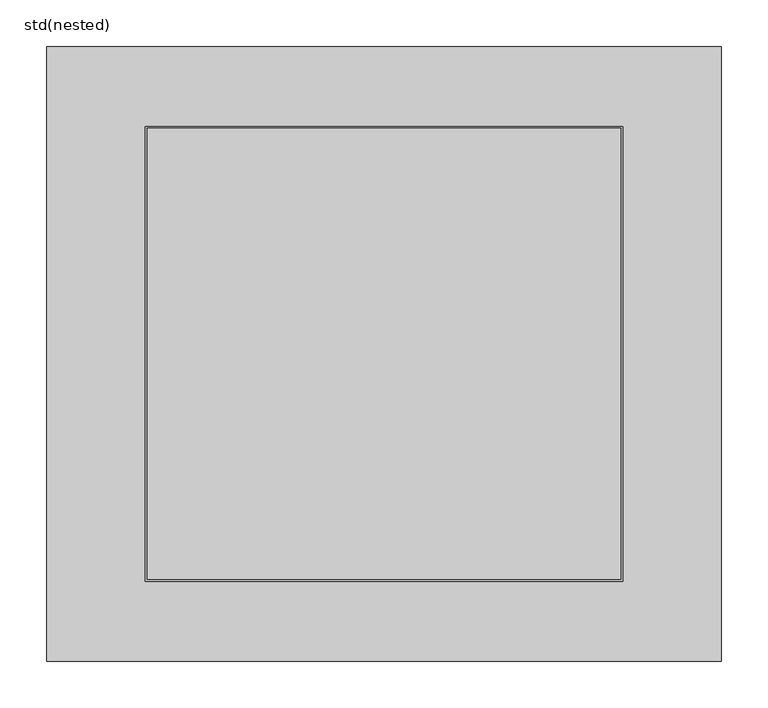
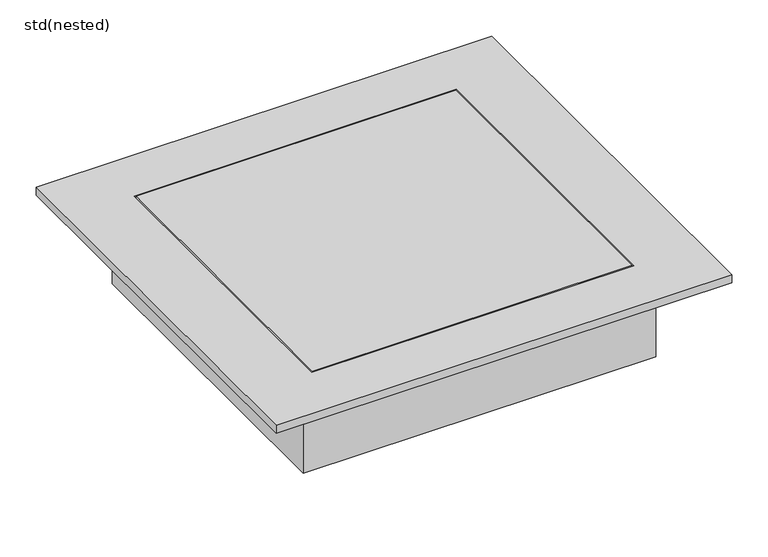
"""IFC4 building model written with IfcOpenShell, lengths in millimetres: sanitary terminal geometry, std(nested)."""

from ifc_helpers import new_model, si_unit, frame, origin, place, context, project, spatial, polyline, circle_curve, outline, extrude, faceted_brep, source, transform, mapped, element, save
from ifc_brep_helpers import plane_surface, cylinder_surface, revolved_surface, advanced_brep


def std_nested_11b5b3ba(model_context):
    return source(origin(), model_context, "Body", "SolidModel", [
        advanced_brep(
        [(273.3618608, 255.7618608, -50.0), (270.4003842, 252.8003842, -144.0), (270.4003842, -252.8003842, -144.0), (273.3618608, -255.7618608, -50.0), (-270.4003842, -252.8003842, -144.0), (-273.3618608, -255.7618608, -50.0), (-270.4003842, 252.8003842, -144.0), (-273.3618608, 255.7618608, -50.0), (280.1, -262.5, -150.0), (-280.1, -262.5, -150.0), (-280.1, 262.5, -150.0), (280.1, 262.5, -150.0), (-175.5, 0.0, -150.0), (175.5, 0.0, -150.0), (-175.5, 0.0, -144.0), (175.5, 0.0, -144.0), (280.1, 262.5, -50.0), (-280.1, 262.5, -50.0), (-280.1, -262.5, -50.0), (280.1, -262.5, -50.0)],
        [
            (0, 1),
            (1, 2),
            (2, 3),
            (3, 0),
            (2, 4),
            (4, 5),
            (5, 3),
            (4, 6),
            (6, 7),
            (7, 5),
            (8, 9),
            (9, 10),
            (10, 11),
            (11, 8),
            (12, 13, circle_curve(frame((0.0, 0.0, -150.0), z_axis=(0.0, 0.0, 1.0), x_axis=(-1.0, 0.0, 0.0)), 175.5)),
            (13, 12, circle_curve(frame((0.0, 0.0, -150.0), z_axis=(0.0, 0.0, 1.0), x_axis=(-1.0, 0.0, 0.0)), 175.5)),
            (1, 6),
            (14, 15, circle_curve(frame((0.0, 0.0, -144.0), z_axis=(0.0, 0.0, -1.0), x_axis=(-1.0, 0.0, 0.0)), 175.5)),
            (15, 14, circle_curve(frame((0.0, 0.0, -144.0), z_axis=(0.0, 0.0, -1.0), x_axis=(-1.0, 0.0, 0.0)), 175.5)),
            (0, 7),
            (16, 17),
            (17, 18),
            (18, 19),
            (19, 16),
            (11, 16),
            (19, 8),
            (18, 9),
            (17, 10),
            (14, 12),
            (13, 15),
        ],
        [
            plane_surface(frame((270.4003842, 252.8003842, -144.0), z_axis=(-0.9995040844087113, 0.0, 0.03148944664969267), x_axis=(0.0, -1.0, 0.0))),
            plane_surface(frame((270.4003842, -252.8003842, -144.0), z_axis=(0.0, 0.9995040844087115, 0.03148944664968624), x_axis=(-1.0, 0.0, 0.0))),
            plane_surface(frame((-270.4003842, -252.8003842, -144.0), z_axis=(0.9995040844087117, 0.0, 0.03148944664967981), x_axis=(0.0, 1.0, 0.0))),
            plane_surface(frame((-280.1, 262.5, -150.0), z_axis=(0.0, 0.0, -1.0), x_axis=(1.0, 0.0, 0.0))),
            plane_surface(frame((-247.2589036, 229.6589036, -144.0), z_axis=(0.0, 0.0, 1.0), x_axis=(1.0, 0.0, 0.0))),
            plane_surface(frame((-270.4003842, 252.8003842, -144.0), z_axis=(0.0, -0.9995040844087115, 0.03148944664968624), x_axis=(1.0, 0.0, 0.0))),
            plane_surface(frame((-273.3618608, 255.7618608, -50.0), z_axis=(0.0, 0.0, 1.0), x_axis=(1.0, 0.0, 0.0))),
            plane_surface(frame((280.1, 262.5, -50.0), z_axis=(1.0, 0.0, 0.0), x_axis=(0.0, -1.0, 0.0))),
            plane_surface(frame((280.1, -262.5, -50.0), z_axis=(0.0, -1.0, 0.0), x_axis=(-1.0, 0.0, 0.0))),
            plane_surface(frame((-280.1, -262.5, -50.0), z_axis=(-1.0, 0.0, 0.0), x_axis=(0.0, 1.0, 0.0))),
            plane_surface(frame((-280.1, 262.5, -50.0), z_axis=(0.0, 1.0, 0.0), x_axis=(1.0, 0.0, 0.0))),
            revolved_surface(polyline([(-175.5, 0.0, -150.0), (-175.5, 0.0, -144.0)]), (0.0, 0.0, -130.0), (0.0, 0.0, -1.0)),
        ],
        [
            (0, [[1, 2, 3, 4]]),
            (1, [[-3, 5, 6, 7]]),
            (2, [[-6, 8, 9, 10]]),
            (3, [[11, 12, 13, 14], [15, 16]]),
            (4, [[-2, 17, -8, -5], [18, 19]]),
            (5, [[-1, 20, -9, -17]]),
            (6, [[21, 22, 23, 24], [-4, -7, -10, -20]]),
            (7, [[-14, 25, -24, 26]]),
            (8, [[-11, -26, -23, 27]]),
            (9, [[-12, -27, -22, 28]]),
            (10, [[-13, -28, -21, -25]]),
            (11, [[-18, 29, -16, 30]]),
            (11, [[-19, -30, -15, -29]]),
        ],
    ),
        advanced_brep(
        [(184.0, 0.0, -150.0), (-184.0, 0.0, -150.0), (-176.0, 0.0, -150.0), (176.0, 0.0, -150.0), (184.0, 0.0, -160.0), (-184.0, 0.0, -160.0), (176.0, 0.0, -160.0), (-176.0, 0.0, -160.0)],
        [
            (0, 1, circle_curve(frame((0.0, 0.0, -150.0), z_axis=(0.0, 0.0, 1.0), x_axis=(-1.0, 0.0, 0.0)), 184.0)),
            (1, 2),
            (2, 3, circle_curve(frame((0.0, 0.0, -150.0), z_axis=(0.0, 0.0, -1.0), x_axis=(-1.0, 0.0, 0.0)), 176.0)),
            (3, 0),
            (1, 0, circle_curve(frame((0.0, 0.0, -150.0), z_axis=(0.0, 0.0, 1.0), x_axis=(-1.0, 0.0, 0.0)), 184.0)),
            (3, 2, circle_curve(frame((0.0, 0.0, -150.0), z_axis=(0.0, 0.0, -1.0), x_axis=(-1.0, 0.0, 0.0)), 176.0)),
            (4, 5, circle_curve(frame((0.0, 0.0, -160.0), z_axis=(0.0, 0.0, 1.0), x_axis=(-1.0, 0.0, 0.0)), 184.0)),
            (5, 1),
            (0, 4),
            (5, 4, circle_curve(frame((0.0, 0.0, -160.0), z_axis=(0.0, 0.0, 1.0), x_axis=(-1.0, 0.0, 0.0)), 184.0)),
            (6, 7, circle_curve(frame((0.0, 0.0, -160.0), z_axis=(0.0, 0.0, 1.0), x_axis=(-1.0, 0.0, 0.0)), 176.0)),
            (7, 5),
            (4, 6),
            (7, 6, circle_curve(frame((0.0, 0.0, -160.0), z_axis=(0.0, 0.0, 1.0), x_axis=(-1.0, 0.0, 0.0)), 176.0)),
            (2, 7),
            (6, 3),
        ],
        [
            plane_surface(frame((0.0, 0.0, -150.0), z_axis=(0.0, 0.0, 1.0), x_axis=(-1.0, 0.0, 0.0))),
            cylinder_surface(frame((0.0, 0.0, -135.0), z_axis=(0.0, 0.0, -1.0), x_axis=(-1.0, 0.0, 0.0)), 184.0),
            plane_surface(frame((0.0, 0.0, -160.0), z_axis=(0.0, 0.0, -1.0), x_axis=(-1.0, 0.0, 0.0))),
            revolved_surface(polyline([(-176.0, 0.0, -160.0), (-176.0, 0.0, -150.0)]), (0.0, 0.0, -135.0), (0.0, 0.0, -1.0)),
        ],
        [
            (0, [[1, 2, 3, 4]]),
            (0, [[5, -4, 6, -2]]),
            (1, [[7, 8, -1, 9]]),
            (1, [[10, -9, -5, -8]]),
            (2, [[11, 12, -7, 13]]),
            (2, [[14, -13, -10, -12]]),
            (3, [[-3, 15, -11, 16]]),
            (3, [[-6, -16, -14, -15]]),
        ],
    ),
        extrude(outline(polyline([(254.0000122, 242.273901), (254.0000122, -242.273901), (-254.0000122, -242.273901), (-254.0000122, 242.273901), (254.0000122, 242.273901)])), frame((0.0, 0.0, -13.5), z_axis=(0.0, 0.0, 1.0), x_axis=(1.0, 0.0, 0.0)), (0.0, 0.0, 1.0), 13.5),
        faceted_brep([(256.0000122, 244.273901, -130.0), (256.0000122, -244.273901, -130.0), (256.0000122, -244.273901, 0.0), (256.0000122, 244.273901, 0.0), (-256.0000122, -244.273901, -130.0), (-256.0000122, -244.273901, 0.0), (-256.0000122, 244.273901, -130.0), (-256.0000122, 244.273901, 0.0), (261.0000122, 249.273901, -130.0), (261.0000122, 249.273901, -13.5), (261.0000122, -249.273901, -13.5), (261.0000122, -249.273901, -130.0), (-261.0000122, -249.273901, -13.5), (-261.0000122, -249.273901, -130.0), (-261.0000122, 249.273901, -13.5), (-261.0000122, 249.273901, -130.0), (362.0, 330.0, 0.0), (-362.0, 330.0, 0.0), (-362.0, -330.0, 0.0), (362.0, -330.0, 0.0), (362.0, 330.0, -13.5), (362.0, -330.0, -13.5), (-362.0, -330.0, -13.5), (-362.0, 330.0, -13.5)], [[[0, 1, 2, 3]], [[2, 1, 4, 5]], [[5, 4, 6, 7]], [[0, 3, 7, 6]], [[8, 9, 10, 11]], [[11, 10, 12, 13]], [[13, 12, 14, 15]], [[9, 8, 15, 14]], [[8, 11, 13, 15], [1, 0, 6, 4]], [[16, 17, 18, 19], [3, 2, 5, 7]], [[20, 21, 22, 23], [10, 9, 14, 12]], [[17, 16, 20, 23]], [[18, 17, 23, 22]], [[19, 18, 22, 21]], [[16, 19, 21, 20]]]),
    ])


if __name__ == "__main__":
    model = new_model("IFC4")
    model_context = context("Model", 3, world=origin())
    ifc_project = project(units=[si_unit("LENGTHUNIT", "METRE", prefix="MILLI")], contexts=[model_context])
    site = spatial("IfcSite", under=ifc_project)
    building = spatial("IfcBuilding", under=site)
    placement = place(None, origin())
    std_nested_shape = std_nested_11b5b3ba(model_context)
    element("IfcSanitaryTerminal", 1, ObjectType="std(nested)", at=placement, inside=building, context=model_context, shape_type="MappedRepresentation", body=[
        mapped(std_nested_shape, transform((0.0, 0.0, 0.0), x_axis=(1.0, 0.0, 0.0), y_axis=(0.0, 1.0, 0.0), z_axis=(0.0, 0.0, 1.0))),
    ])
    save(model, "model.ifc")
